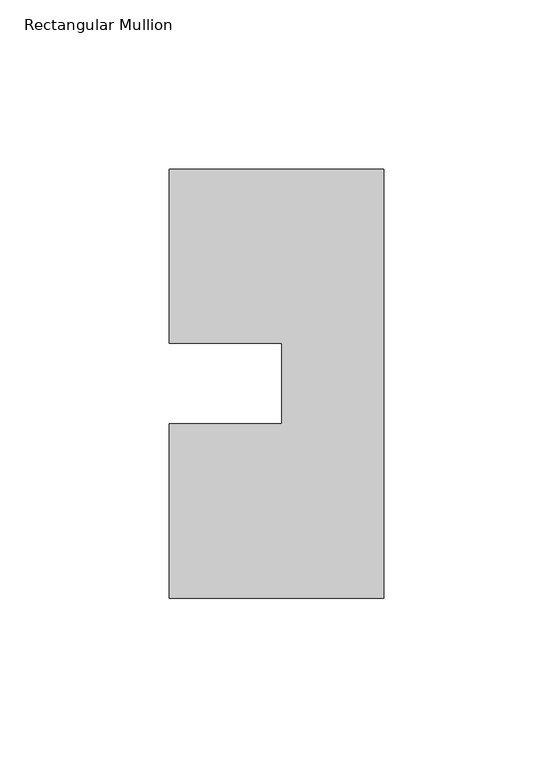
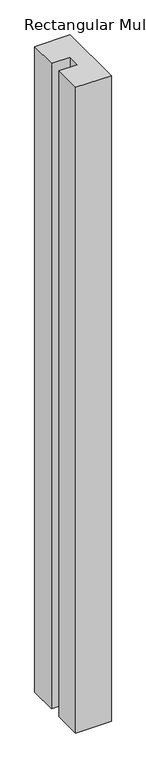
"""IFC4 building model written with IfcOpenShell, lengths in millimetres: member geometry, Rectangular Mullion."""

from ifc_helpers import new_model, si_unit, frame, origin, place, context, project, spatial, polyline, outline, extrude, source, transform, mapped, element, save


def rectangular_mullion_4330e068(model_context):
    return source(origin(), model_context, "Body", "SweptSolid", [
        extrude(outline(polyline([(31.75, 127.00635), (31.75, 0.00635), (-31.75, 0.00635), (-31.75, 51.60645), (1.5748, 51.60645), (1.5748, 75.40625), (-31.75, 75.40625), (-31.75, 127.00635), (31.75, 127.00635)])), frame((0.0, 0.0, -1219.2), z_axis=(0.0, 0.0, 1.0), x_axis=(1.0, 0.0, 0.0)), (0.0, 0.0, 1.0), 1219.2),
    ])


if __name__ == "__main__":
    model = new_model("IFC4")
    model_context = context("Model", 3, world=origin())
    ifc_project = project(units=[si_unit("LENGTHUNIT", "METRE", prefix="MILLI")], contexts=[model_context])
    site = spatial("IfcSite", under=ifc_project)
    building = spatial("IfcBuilding", under=site)
    placement = place(None, origin())
    rectangular_mullion_shape = rectangular_mullion_4330e068(model_context)
    element("IfcMember", 1, ObjectType="Rectangular Mullion", at=placement, inside=building, context=model_context, shape_type="MappedRepresentation", body=[
        mapped(rectangular_mullion_shape, transform((0.0, 0.0, 0.0), x_axis=(1.0, 0.0, 0.0), y_axis=(0.0, 1.0, 0.0), z_axis=(0.0, 0.0, 1.0))),
    ])
    save(model, "model.ifc")
